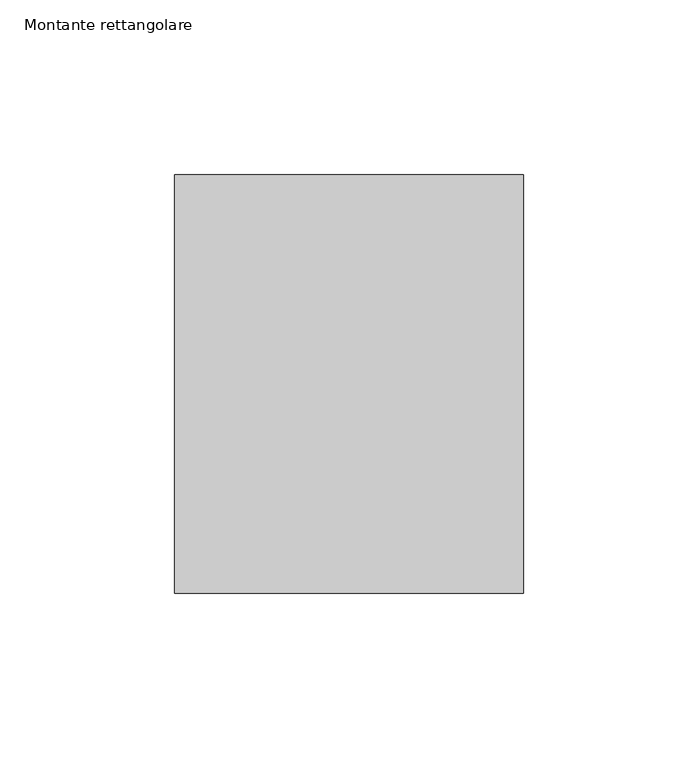
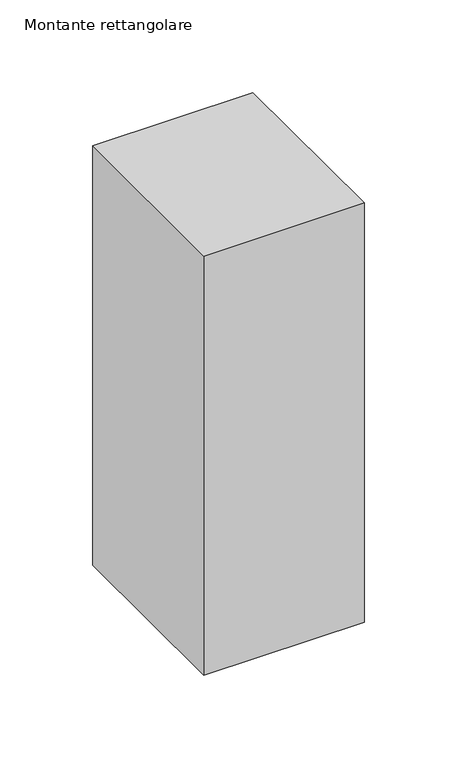
"""IFC4 building model written with IfcOpenShell, lengths in millimetres: member geometry, Montante rettangolare."""

import ifcopenshell
import ifcopenshell.guid

model = None  # the IFC model being written
_history = None  # IfcOwnerHistory: only IFC2X3 demands one
_inside = {}  # id of a spatial element -> (the spatial element, [elements in it])
_under = {}  # id of a project, library or spatial element -> (it, [spatial elements below it])
_declared = {}  # id of a project -> (the project, [libraries it declares])
_typed = {}  # id of a type object -> (the type object, [elements of that type])
_made_of = {}  # id of a material, layer set ... -> (it, [elements and type objects made of it])


def new_model(schema):
    """Start an empty IFC model of exactly this schema.

    Asked for "IFC4X3", IfcOpenShell would pick the latest addendum, in which some entities
    have other attributes; the version numbers below select the first issue.
    IFC2X3 requires an IfcOwnerHistory on every rooted entity: one is made here for all.
    """
    global model, _history
    if schema == "IFC4X3":
        model = ifcopenshell.file(schema_version=(4, 3, 0, 0))
    else:
        model = ifcopenshell.file(schema=schema)
    _inside.clear()
    _under.clear()
    _declared.clear()
    _typed.clear()
    _made_of.clear()
    _history = None
    if model.schema == "IFC2X3":
        org = make("IfcOrganization", Name="unknown")
        user = make(
            "IfcPersonAndOrganization",
            ThePerson=make("IfcPerson", FamilyName="unknown"),
            TheOrganization=org,
        )
        app = make(
            "IfcApplication",
            ApplicationDeveloper=org,
            Version="unknown",
            ApplicationFullName="unknown",
            ApplicationIdentifier="unknown",
        )
        _history = make(
            "IfcOwnerHistory",
            OwningUser=user,
            OwningApplication=app,
            ChangeAction="ADDED",
            CreationDate=0,
        )
    return model


def make(cls, **values):
    """One entity of the class cls with the attributes given. An attribute that is None is left unset."""
    return model.create_entity(
        cls, **{name: value for name, value in values.items() if value is not None}
    )


def rooted(cls, **values):
    """An entity with a GlobalId (a new one), such as an element, a storey or a relation."""
    return make(cls, GlobalId=ifcopenshell.guid.new(), OwnerHistory=_history, **values)


def si_unit(unit_type, name, prefix=None):
    """IfcSIUnit, for example si_unit("LENGTHUNIT", "METRE", prefix="MILLI")."""
    return make("IfcSIUnit", UnitType=unit_type, Prefix=prefix, Name=name)


def assignment(units):
    """IfcUnitAssignment: the units of a project."""
    return None if units is None else make("IfcUnitAssignment", Units=units)


def point(xyz):
    """IfcCartesianPoint."""
    return None if xyz is None else make("IfcCartesianPoint", Coordinates=xyz)


def direction(xyz):
    """IfcDirection."""
    return None if xyz is None else make("IfcDirection", DirectionRatios=xyz)


def frame(location, z_axis=None, x_axis=None):
    """IfcAxis2Placement3D, a coordinate frame: its origin and axes. An axis left out is left unset."""
    return make(
        "IfcAxis2Placement3D",
        Location=point(location),
        Axis=direction(z_axis),
        RefDirection=direction(x_axis),
    )


def origin():
    """The frame at (0, 0, 0) with its axes left unset."""
    return frame((0.0, 0.0, 0.0))


def place(relative_to, where):
    """IfcLocalPlacement: puts the frame where relative to a parent placement (None: the world)."""
    return make(
        "IfcLocalPlacement", PlacementRelTo=relative_to, RelativePlacement=where
    )


def context(
    kind, dimensions, precision=None, world=None, true_north=None, identifier=None
):
    """IfcGeometricRepresentationContext, for example the 3D "Model" context."""
    return make(
        "IfcGeometricRepresentationContext",
        ContextIdentifier=identifier,
        ContextType=kind,
        CoordinateSpaceDimension=dimensions,
        Precision=precision,
        WorldCoordinateSystem=world,
        TrueNorth=true_north,
    )


def project(units=None, contexts=None):
    """IfcProject with its units and contexts."""
    return rooted(
        "IfcProject",
        Name="project",
        RepresentationContexts=contexts,
        UnitsInContext=assignment(units),
    )


def spatial(cls, under=None, at=None, **own):
    """A site, building, storey or space (cls), placed at a placement, below another one or the project."""
    s = rooted(cls, ObjectPlacement=at, **own)
    if under is not None:
        _under.setdefault(under.id(), (under, []))[1].append(s)
    return s


def polyline(points):
    """IfcPolyline through the points."""
    return make("IfcPolyline", Points=[point(p) for p in points])


def outline(outer, holes=None, kind="AREA"):
    """IfcArbitraryClosedProfileDef: a profile drawn as a closed curve; with holes, ...WithVoids."""
    if holes is None:
        return make("IfcArbitraryClosedProfileDef", ProfileType=kind, OuterCurve=outer)
    return make(
        "IfcArbitraryProfileDefWithVoids",
        ProfileType=kind,
        OuterCurve=outer,
        InnerCurves=holes,
    )


def extrude(swept, where, along, depth):
    """IfcExtrudedAreaSolid: the profile swept, set in the frame where, extruded along a direction by depth."""
    return make(
        "IfcExtrudedAreaSolid",
        SweptArea=swept,
        Position=where,
        ExtrudedDirection=direction(along),
        Depth=depth,
    )


def shape(context_of_items, identifier, shape_type, items):
    """IfcShapeRepresentation: the items that make up one representation, for example the "Body"."""
    return make(
        "IfcShapeRepresentation",
        ContextOfItems=context_of_items,
        RepresentationIdentifier=identifier,
        RepresentationType=shape_type,
        Items=items,
    )


def source(mapping_origin, context_of_items, identifier, shape_type, items):
    """IfcRepresentationMap: a shape defined once, which mapped items show again and again."""
    return make(
        "IfcRepresentationMap",
        MappingOrigin=mapping_origin,
        MappedRepresentation=shape(context_of_items, identifier, shape_type, items),
    )


def transform(
    local_origin,
    x_axis=None,
    y_axis=None,
    z_axis=None,
    scale=None,
    scale2=None,
    scale3=None,
    uniform=True,
):
    """IfcCartesianTransformationOperator3D, or its non-uniform kind. x_axis, y_axis, z_axis: its Axis1, 2, 3."""
    if uniform:
        return make(
            "IfcCartesianTransformationOperator3D",
            Axis1=direction(x_axis),
            Axis2=direction(y_axis),
            LocalOrigin=point(local_origin),
            Scale=scale,
            Axis3=direction(z_axis),
        )
    return make(
        "IfcCartesianTransformationOperator3DnonUniform",
        Axis1=direction(x_axis),
        Axis2=direction(y_axis),
        LocalOrigin=point(local_origin),
        Scale=scale,
        Axis3=direction(z_axis),
        Scale2=scale2,
        Scale3=scale3,
    )


def mapped(mapping_source, mapping_target):
    """IfcMappedItem: shows the shape of a source again, moved by a transform."""
    return make(
        "IfcMappedItem", MappingSource=mapping_source, MappingTarget=mapping_target
    )


def made_of(thing, what):
    """Note that an element or type object is made of a material, layer set ...; save() writes the relation."""
    if what is not None:
        _made_of.setdefault(what.id(), (what, []))[1].append(thing)
    return thing


def element(
    cls,
    number,
    at=None,
    inside=None,
    cuts=None,
    type_object=None,
    material=None,
    context=None,
    identifier="Body",
    shape_type=None,
    held_by="IfcProductDefinitionShape",
    body=None,
    shapes=None,
    **own,
):
    """One element of the class cls, such as IfcWall. Its Tag is "e" and its number.

    at: its placement. inside: the storey or other place that contains it. cuts: it is an
    opening in that element (IfcRelVoidsElement). A single representation is given by context,
    identifier, shape_type and body (its items); several are given by shapes. held_by: the class
    of the entity that holds the representations. save() writes the other relations.
    """
    e = rooted(cls, Tag="e%d" % number, ObjectPlacement=at, **own)
    if body is not None:
        shapes = [shape(context, identifier, shape_type, body)]
    if shapes is not None:
        e.Representation = make(held_by, Representations=shapes)
    if inside is not None:
        _inside.setdefault(inside.id(), (inside, []))[1].append(e)
    if cuts is not None:
        rooted(
            "IfcRelVoidsElement", RelatingBuildingElement=cuts, RelatedOpeningElement=e
        )
    if type_object is not None:
        _typed.setdefault(type_object.id(), (type_object, []))[1].append(e)
    return made_of(e, material)


def aggregate(whole, parts):
    """IfcRelAggregates: a whole, such as a stair, and the parts it consists of."""
    return rooted("IfcRelAggregates", RelatingObject=whole, RelatedObjects=parts)


def save(model, path):
    """Write the relations noted so far, then the file.

    IfcRelAggregates (storeys below a building ...), IfcRelContainedInSpatialStructure (elements
    in a storey), IfcRelDefinesByType, IfcRelAssociatesMaterial and IfcRelDeclares: one each for
    every whole, place, type object, material and project.
    """
    for whole, parts in _under.values():
        aggregate(whole, parts)
    for where, things in _inside.values():
        rooted(
            "IfcRelContainedInSpatialStructure",
            RelatedElements=things,
            RelatingStructure=where,
        )
    for kind, things in _typed.values():
        rooted("IfcRelDefinesByType", RelatedObjects=things, RelatingType=kind)
    for what, things in _made_of.values():
        rooted("IfcRelAssociatesMaterial", RelatedObjects=things, RelatingMaterial=what)
    for by, libraries in _declared.values():
        rooted("IfcRelDeclares", RelatingContext=by, RelatedDefinitions=libraries)
    model.write(path)


def montante_rettangolare_00f08b0f(model_context):
    return source(origin(), model_context, "Body", "SweptSolid", [
        extrude(outline(polyline([(50.0, 60.0), (50.0, -60.0), (-50.0, -60.0), (-50.0, 60.0), (50.0, 60.0)])), frame((0.0, 0.0, -276.4859462), z_axis=(0.0, 0.0, 1.0), x_axis=(1.0, 0.0, 0.0)), (0.0, 0.0, 1.0), 276.4859462),
    ])


if __name__ == "__main__":
    model = new_model("IFC4")
    model_context = context("Model", 3, world=origin())
    ifc_project = project(units=[si_unit("LENGTHUNIT", "METRE", prefix="MILLI")], contexts=[model_context])
    site = spatial("IfcSite", under=ifc_project)
    building = spatial("IfcBuilding", under=site)
    placement = place(None, origin())
    montante_rettangolare_shape = montante_rettangolare_00f08b0f(model_context)
    element("IfcMember", 1, ObjectType="Montante rettangolare", at=placement, inside=building, context=model_context, shape_type="MappedRepresentation", body=[
        mapped(montante_rettangolare_shape, transform((0.0, 0.0, 0.0), x_axis=(1.0, 0.0, 0.0), y_axis=(0.0, 1.0, 0.0), z_axis=(0.0, 0.0, 1.0))),
    ])
    save(model, "model.ifc")
